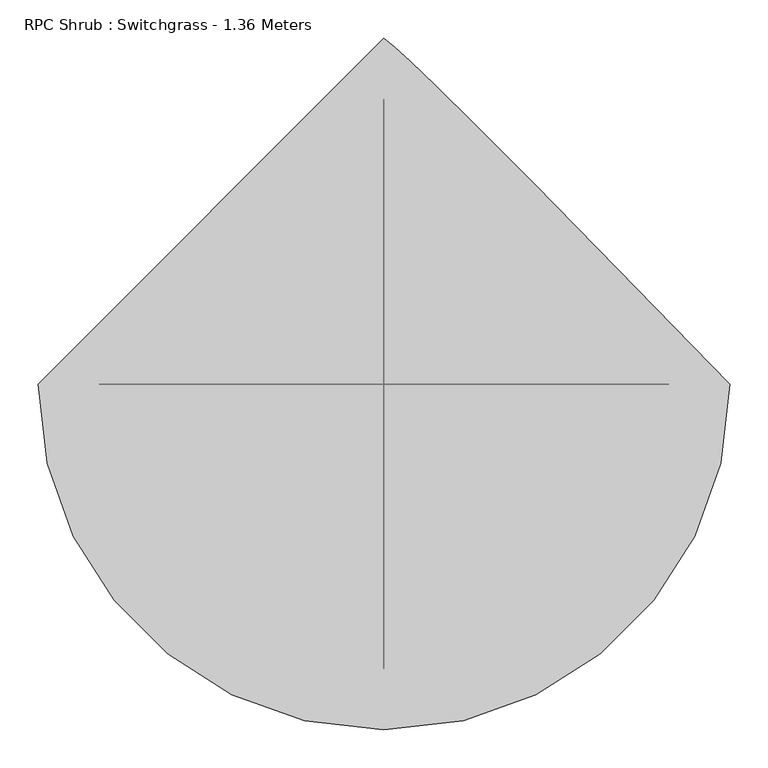
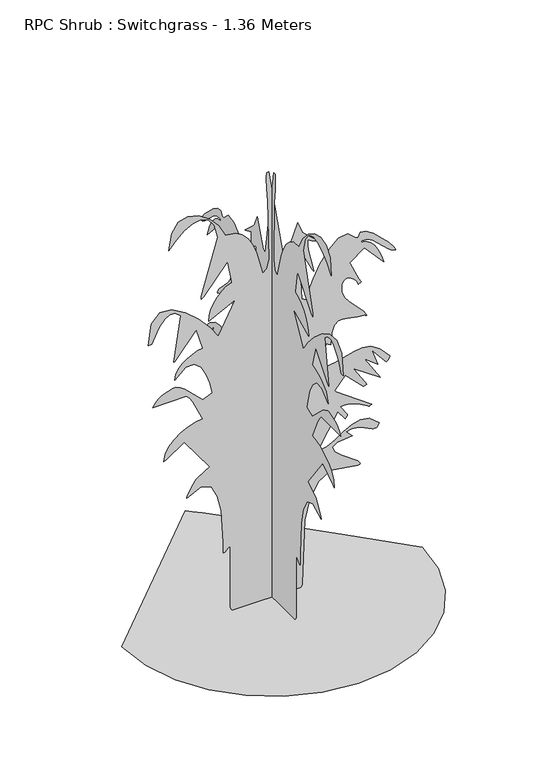
"""IFC4 building model written with IfcOpenShell, lengths in millimetres: geographic element geometry, RPC Shrub : Switchgrass - 1.36 Meters."""

from ifc_helpers import new_model, si_unit, origin, place, context, project, spatial, triangles, source, transform, mapped, element, save


def rpc_shrub_switchgrass_1_36_meters_f73d88c2(model_context):
    return source(origin(), model_context, "Body", "Tessellation", [
        triangles([(-453.665332, 0.0, 5.67e-05), (-441.6721324, -103.9499868, 5.67e-05), (-407.5134979, -199.411302, 5.67e-05), (-353.9295593, -283.6503825, 5.67e-05), (-283.6503825, -353.9295593, 5.67e-05), (-199.411302, -407.5134979, 5.67e-05), (-103.9499868, -441.6721324, 5.67e-05), (1.98e-05, -453.665332, 5.67e-05), (103.9499868, -441.6721324, 5.67e-05), (199.4115563, -407.5134979, 5.67e-05), (283.6503825, -353.9295593, 5.67e-05), (353.9295593, -283.6503825, 5.67e-05), (407.5134979, -199.411302, 5.67e-05), (441.6721324, -103.9499868, 5.67e-05), (453.665332, 3.97e-05, 5.67e-05), (306.2339241, 151.2280694, 5.67e-05), (196.9358535, 262.570401, 5.67e-05), (119.4154309, 340.6746271, 5.67e-05), (67.3171619, 392.1883432, 5.67e-05), (34.2855662, 423.7604713, 5.67e-05), (13.964969, 442.0373354, 5.67e-05), (-5.95e-05, 453.665332, 5.67e-05), (34.6374025, 5.5e-06, 1079.2520742), (35.9309123, 5.5e-06, 1079.3881124), (37.632925, 5.4e-06, 1079.7558226), (39.5522869, 5.4e-06, 1080.2922724), (41.4975897, 5.4e-06, 1080.9370005), (43.2774229, 5.3e-06, 1081.6270746), (44.7003829, 5.3e-06, 1082.3020334), (45.5755702, 5.3e-06, 1082.898872), (78.3898191, 3e-07, 1166.7579248), (92.9740397, 2.4e-06, 1130.2973597), (140.3727636, 5e-06, 1086.5457424), (138.7745145, 4.9e-06, 1086.9990578), (119.2922825, 3.5e-06, 1095.6249847), (108.5253706, 2.7e-06, 1102.125242), (107.8519197, 3.8e-06, 1085.674284), (109.1844692, 4.9e-06, 1070.4196918), (123.0607389, 9.4e-06, 1011.8263933), (125.7885429, 1.05e-05, 995.3930941), (122.9796392, 1.02e-05, 999.3672701), (89.3279868, 6.1e-06, 1068.3141518), (82.035872, 6.1e-06, 1068.3141518), (89.3279868, 1.5e-05, 918.8276367), (90.8234806, 1.51e-05, 918.4901573), (93.0463191, 1.51e-05, 917.6011127), (95.6779172, 1.52e-05, 916.3519884), (98.3991719, 1.53e-05, 914.9315083), (100.8912436, 1.53e-05, 913.5286869), (102.8352928, 1.54e-05, 912.3349371), (103.9122075, 1.55e-05, 911.5340412), (109.42448, 1.4e-05, 936.2230865), (124.3202459, 1.18e-05, 972.8649633), (146.1379004, 9.4e-06, 1013.5188046), (172.4163473, 7.2e-06, 1050.2362581), (200.6937455, 5.7e-06, 1075.0813986), (228.5087265, 5.4e-06, 1080.1084173), (253.4004848, 6.8e-06, 1057.3762293), (260.6915913, 6.8e-06, 1057.3762293), (267.0735055, 6e-06, 1071.1096933), (283.5017906, 6.3e-06, 1068.1605274), (305.9014589, 7.4e-06, 1053.4977596), (352.3177028, 1.02e-05, 1008.9275877), (368.1818507, 1.12e-05, 988.9582397), (373.7200665, 1.16e-05, 977.1640469), (363.2380028, 1.12e-05, 979.2972015), (350.3331219, 1.06e-05, 989.0312731), (303.4182166, 8.1e-06, 1032.7149439), (287.1536389, 7.7e-06, 1041.731254), (271.6294956, 7.6e-06, 1042.7915091), (267.985205, 7.9e-06, 1039.1472548), (283.6428248, 8.1e-06, 1035.835393), (297.4745205, 8.6e-06, 1026.9198761), (309.4198488, 9.4e-06, 1013.9268465), (319.4284312, 1.03e-05, 998.3749615), (327.4423316, 1.13e-05, 981.7955956), (333.4036683, 1.22e-05, 965.7098042), (337.2595013, 1.31e-05, 951.6414042), (278.9231275, 9.2e-06, 1017.2714098), (235.1699478, 1.11e-05, 984.4551716), (235.8839486, 1.13e-05, 981.2994776), (262.4696623, 1.51e-05, 923.1972828), (269.0026937, 1.58e-05, 911.5844015), (259.9838765, 1.57e-05, 908.0534397), (255.3447701, 1.5e-05, 917.9537075), (248.2370281, 1.44e-05, 926.8818689), (239.6675112, 1.4e-05, 933.8556438), (230.6426624, 1.38e-05, 937.8902813), (222.16887, 1.38e-05, 938.0137476), (215.2527769, 1.42e-05, 933.238603), (210.9007715, 1.48e-05, 922.5877996), (210.7972713, 1.61e-05, 900.2687405), (218.2777558, 1.73e-05, 880.9667936), (230.9642816, 1.83e-05, 863.7905165), (276.4826878, 2.12e-05, 816.0948812), (286.214234, 2.22e-05, 798.5080914), (282.5674181, 2.22e-05, 798.5080914), (282.5674181, 2.2e-05, 802.1548891), (258.9160275, 2.18e-05, 804.4416681), (217.22653, 2.14e-05, 812.3070311), (200.6547036, 2.15e-05, 810.9294262), (187.9094968, 2.2e-05, 801.3741228), (179.7243133, 2.33e-05, 780.1606647), (176.8330653, 2.55e-05, 743.8160082), (162.2488356, 2.5e-05, 751.1096037), (154.9567298, 2.94e-05, 678.1884733), (189.7072068, 2.92e-05, 681.6791759), (246.4879161, 2.82e-05, 697.1302677), (271.8259408, 2.8e-05, 700.7669643), (297.3385187, 2.83e-05, 696.1253872), (324.6744773, 2.93e-05, 679.0498306), (355.4885121, 3.13e-05, 645.3747786), (355.0754923, 3.15e-05, 643.0224512), (353.95979, 3.16e-05, 640.3402748), (352.3328181, 3.18e-05, 637.5774347), (350.3860256, 3.19e-05, 634.9858778), (348.3132597, 3.21e-05, 632.8249632), (346.3060058, 3.22e-05, 631.3415508), (344.550626, 3.22e-05, 630.7900583), (300.7989542, 2.92e-05, 681.8353437), (318.9775867, 3.22e-05, 631.7219055), (279.0364563, 3.03e-05, 663.0346018), (326.3215788, 3.48e-05, 587.0383684), (246.1078703, 3.15e-05, 641.7279081), (247.6300521, 3.17e-05, 638.4613924), (279.7945314, 3.47e-05, 588.7862268), (286.214234, 3.52e-05, 579.7447366), (285.3403048, 3.53e-05, 579.543259), (276.5708364, 3.54e-05, 576.3019235), (275.2763115, 3.55e-05, 576.0979388), (220.5857363, 3.22e-05, 630.7900583), (187.771224, 3.46e-05, 590.6826591), (300.7989542, 3.94e-05, 510.4704403), (300.0660593, 3.94e-05, 510.3344384), (299.0234086, 3.94e-05, 509.9667283), (297.7968846, 3.94e-05, 509.4303148), (296.5074102, 3.95e-05, 508.7855504), (295.2808863, 3.95e-05, 508.0954762), (294.2382174, 3.96e-05, 507.4205174), (293.5053406, 3.96e-05, 506.8236425), (283.426232, 3.88e-05, 513.6110189), (256.8055095, 3.79e-05, 526.4277512), (228.3019622, 3.77e-05, 535.1292186), (215.8710713, 3.77e-05, 536.773813), (206.0015066, 3.78e-05, 535.993083), (227.8775877, 3.98e-05, 503.1793519), (227.599298, 3.99e-05, 501.4239358), (226.8505428, 4e-05, 499.4141747), (225.7610381, 4.02e-05, 497.3414088), (224.4602091, 4.03e-05, 495.3971234), (223.0775537, 4.04e-05, 493.7701515), (221.7429876, 4.04e-05, 492.6544493), (220.5857363, 4.05e-05, 492.2389223), (198.7094008, 3.87e-05, 521.4083628), (136.7267016, 4.5e-05, 415.6735013), (164.6761947, 4.47e-05, 421.3804567), (190.7292375, 4.4e-05, 435.081183), (215.795004, 4.31e-05, 451.6278474), (240.7829773, 4.24e-05, 465.885153), (266.6025496, 4.21e-05, 472.7078107), (294.1626587, 4.25e-05, 466.9580526), (324.3722792, 4.4e-05, 443.4930242), (324.2337338, 4.4e-05, 442.825623), (315.940272, 4.41e-05, 431.3840249), (315.3836926, 4.42e-05, 430.2582215), (302.2672513, 4.4e-05, 432.0791133), (290.3748085, 4.38e-05, 436.5822178), (267.4034273, 4.31e-05, 447.8173242), (254.8889295, 4.29e-05, 451.6505204), (240.7371407, 4.28e-05, 452.3556736), (224.2317892, 4.31e-05, 448.4872324), (242.4618174, 4.42e-05, 430.2582215), (196.631112, 4.49e-05, 425.7248863), (182.0315307, 4.69e-05, 413.8400376), (189.7779874, 4.96e-05, 397.164929), (210.986413, 5.25e-05, 378.2609593), (258.2486263, 5.7e-05, 344.0317986), (266.5320233, 5.76e-05, 333.8292964), (264.267881, 5.75e-05, 331.1949368), (258.898405, 5.75e-05, 330.5149275), (176.6512269, 5.95e-05, 343.5457091), (138.9414919, 6.11e-05, 319.5140365), (113.9296011, 6.29e-05, 272.4228338), (99.1454108, 6.48e-05, 211.1959569), (91.6966468, 6.96e-05, 12.4772317), (91.0362946, 6.97e-05, 8.2514392), (89.7634345, 6.98e-05, 4.9302218), (87.7335075, 6.99e-05, 2.3756808), (84.8009467, 6.98e-05, 0.4498951), (-117.3623403, 7.02e-05, 2.38e-05), (-121.0643037, 7.03e-05, 2.3582326), (-123.5944091, 7.04e-05, 5.1537149), (-125.1599203, 7.05e-05, 8.269018), (-125.9676018, 7.06e-05, 11.5864578), (-126.2252532, 7.06e-05, 14.9886711), (-125.9172324, 7.07e-05, 21.5768057), (-125.7885429, 5.76e-05, 204.2025248), (-128.2770811, 5.77e-05, 205.3111781), (-131.3967671, 5.78e-05, 203.6706169), (-142.029948, 5.8e-05, 193.4066721), (-145.1604619, 5.81e-05, 191.9220062), (-147.6648693, 5.83e-05, 193.2643661), (-147.5351716, 5.63e-05, 225.894006), (-153.5843935, 5.02e-05, 329.1624664), (-164.4865442, 4.72e-05, 379.5856968), (-183.7899626, 4.5e-05, 415.726405), (-213.855751, 4.43e-05, 427.4803024), (-257.0473007, 4.57e-05, 404.7355788), (-257.4200432, 4.56e-05, 406.6597346), (-255.7124803, 4.53e-05, 411.8000095), (-242.5532362, 4.38e-05, 436.9071253), (-231.5238949, 4.28e-05, 452.1340665), (-230.3260938, 4.27e-05, 454.5795568), (-226.168535, 4.25e-05, 458.4530122), (-203.5907889, 4.16e-05, 473.5162642), (-187.771224, 4.11e-05, 481.3009998), (-264.3384072, 3.48e-05, 587.0383684), (-319.0279833, 3.7e-05, 550.5778032), (-326.3215788, 3.72e-05, 546.9310055), (-322.37509, 3.59e-05, 568.7136512), (-311.5807271, 3.47e-05, 588.5343527), (-295.5050368, 3.37e-05, 605.9222085), (-275.706972, 3.28e-05, 620.4061718), (-253.7555866, 3.22e-05, 631.5153774), (-231.2143753, 3.17e-05, 638.7787422), (-209.6475595, 3.15e-05, 641.7279081), (-211.9049071, 3.1e-05, 648.2735842), (-238.9479876, 2.71e-05, 706.3505625), (-248.5180974, 2.68e-05, 720.8143599), (-258.5332201, 2.72e-05, 732.0444157), (-359.8808312, 3.09e-05, 730.7927479), (-350.9854076, 3e-05, 743.1359625), (-342.775044, 2.88e-05, 751.7065149), (-334.8467852, 2.76e-05, 757.4562366), (-326.8026177, 2.62e-05, 761.3498943), (-297.9202964, 2.21e-05, 771.4465891), (-290.6266645, 2.21e-05, 771.4465891), (-276.4952778, 2.31e-05, 764.3469498), (-264.0235827, 2.4e-05, 756.2171408), (-209.6475595, 2.79e-05, 703.711116), (-180.4791182, 2.72e-05, 714.6490385), (-188.2840015, 2.51e-05, 749.2005632), (-198.6590223, 2.32e-05, 779.7879404), (-213.8988261, 2.15e-05, 808.0557644), (-234.4166689, 2.04e-05, 825.5997517), (-260.6260975, 2.05e-05, 824.0231764), (-292.9361529, 2.22e-05, 794.9267693), (-290.1229707, 2.13e-05, 811.304694), (-282.4238585, 2.04e-05, 825.9523464), (-270.9545368, 1.97e-05, 838.7187183), (-256.8256572, 1.91e-05, 849.4400116), (-241.1577182, 1.86e-05, 857.9626745), (-225.0598818, 1.83e-05, 864.1305393), (-209.6475595, 1.81e-05, 867.7823513), (-227.877842, 1.42e-05, 933.4123569), (-293.5078477, 1.89e-05, 853.1976311), (-297.1521383, 1.89e-05, 853.1976311), (-275.3543954, 9.9e-06, 994.8415289), (-292.2208805, 9.1e-06, 1008.6404686), (-308.4224896, 9.2e-06, 1009.2398506), (-323.4806911, 9.8e-06, 1000.0447723), (-336.9220219, 1.09e-05, 984.4601858), (-348.2704571, 1.21e-05, 965.888645), (-362.782144, 1.42e-05, 933.4123569), (-373.7200665, 1.42e-05, 933.4123569), (-364.1169462, 1.03e-05, 998.5890472), (-338.8310623, 8.7e-06, 1025.6278765), (-303.1512453, 8.8e-06, 1023.1244682), (-262.3663982, 1.02e-05, 999.6770622), (-221.7623905, 1.23e-05, 963.8864416), (-186.6273258, 1.47e-05, 924.3457592), (-162.24909, 1.68e-05, 889.6581963), (-111.2043132, 1.09e-05, 988.1019693), (-191.417295, 1.33e-05, 947.9946064), (-189.5233699, 1.23e-05, 964.9517836), (-184.1611972, 1.12e-05, 982.4201941), (-175.8115615, 1.02e-05, 999.5133368), (-164.9542301, 9.3e-06, 1015.347254), (-152.0705143, 8.5e-06, 1029.035372), (-137.6396637, 7.8e-06, 1039.693733), (-122.142481, 7.4e-06, 1046.4383795), (-121.6783196, 7.3e-06, 1049.0626379), (-133.0806487, 3.3e-06, 1115.7126394), (-137.0732557, 3.3e-06, 1115.0376806), (-206.1470827, 8.4e-06, 1030.7328701), (-213.2936123, 8.7e-06, 1024.5625345), (-213.1755054, 6.5e-06, 1034.5433933), (-164.1860902, -2.1e-06, 1205.9535702), (-174.9590336, -4.6e-06, 1247.6803837), (-192.3972497, -6e-06, 1271.4223938), (-214.5438086, -6.5e-06, 1279.8744942), (-239.4408535, -6.3e-06, 1275.7189339), (-265.1317273, -5.5e-06, 1261.6530773), (-289.6570471, -4.3e-06, 1240.3590282), (-311.0618998, -2.7e-06, 1214.5316803), (-303.3048696, -5.8e-06, 1266.3853466), (-282.8822245, -7.5e-06, 1294.444099), (-254.0704112, -7.9e-06, 1302.2918758), (-221.1380463, -7.4e-06, 1293.5098537), (-188.3628303, -6e-06, 1271.6818256), (-160.0164319, -4.1e-06, 1240.3917297), (-140.3727636, -1.9e-06, 1203.21849), (-110.0649387, -1.7e-06, 1200.0275511), (-89.3209288, -1e-06, 1187.067223), (-72.3695561, 2e-07, 1168.0776117), (-58.7209615, 1.6e-06, 1144.7788158), (-47.884291, 3.1e-06, 1118.8859922), (-27.3452899, 7.6e-06, 1042.7915091), (-15.4937842, 7e-06, 1053.9435173), (-8.9178888, 5.2e-06, 1083.0902847), (-12.7611692, -6e-06, 1272.4928226), (-14.0051646, -5.9e-06, 1281.6450256), (-15.0591383, -6.2e-06, 1292.4696556), (-15.8925914, -7e-06, 1304.6366455), (-16.4746201, -8e-06, 1317.8058998), (-16.7749277, -9.2e-06, 1331.6476421), (-16.7627634, -1.03e-05, 1345.8243931), (-16.4072244, -1.13e-05, 1359.9986732), (-9.115139, -1.13e-05, 1359.9986732), (-3.13e-05, 34.6374025, 1079.2520742), (-3.13e-05, 35.9309123, 1079.3881124), (-3.13e-05, 37.632925, 1079.7558226), (-3.13e-05, 39.5522869, 1080.2947432), (-3.13e-05, 41.4975897, 1080.9370005), (-3.13e-05, 43.2774229, 1081.6295454), (-3.13e-05, 44.7006373, 1082.3020334), (-3.13e-05, 45.5755702, 1082.898872), (-3.13e-05, 78.3900644, 1166.7579248), (-3.13e-05, 92.9742941, 1130.2973597), (-3.13e-05, 140.3727636, 1086.5457424), (-3.12e-05, 138.7745145, 1086.9990578), (-3.03e-05, 119.2922825, 1095.6249847), (-2.99e-05, 108.525625, 1102.125242), (-3e-05, 107.8521741, 1085.674284), (-3.02e-05, 109.1844692, 1070.4196918), (-3.12e-05, 123.0609841, 1011.8263933), (-3.13e-05, 125.7885429, 995.3930941), (-3.13e-05, 122.9796392, 999.3672701), (-3.13e-05, 89.3282321, 1068.3141518), (-3.13e-05, 82.0361263, 1068.3141518), (-3.13e-05, 89.3282321, 918.8276367), (-3.13e-05, 90.8234806, 918.4901573), (-3.13e-05, 93.0465734, 917.6011127), (-3.13e-05, 95.6779172, 916.3519884), (-3.13e-05, 98.3994262, 914.9315083), (-3.13e-05, 100.8912436, 913.5286869), (-3.13e-05, 102.8352928, 912.3349371), (-3.13e-05, 103.9122075, 911.5340412), (-3.13e-05, 109.42448, 936.2230865), (-3.13e-05, 124.3202459, 972.8649633), (-3.13e-05, 146.1381457, 1013.5188046), (-3.13e-05, 172.4166016, 1050.2362581), (-3.13e-05, 200.6937455, 1075.0813986), (-3.13e-05, 228.5089808, 1080.1084173), (-3.13e-05, 253.4004848, 1057.3762293), (-3.13e-05, 260.6915913, 1057.3762293), (-3.14e-05, 267.0735055, 1071.1096933), (-3.15e-05, 283.5017906, 1068.1605274), (-3.17e-05, 305.9014589, 1053.4977596), (-3.18e-05, 352.3177028, 1008.9275877), (-3.17e-05, 368.1818507, 988.9582397), (-3.13e-05, 373.7200665, 977.1640469), (-3.11e-05, 363.2380028, 979.2972015), (-3.1e-05, 350.3331219, 989.0312731), (-3.12e-05, 303.4182166, 1032.7149439), (-3.13e-05, 287.1536389, 1041.731254), (-3.13e-05, 271.6294956, 1042.7915091), (-3.13e-05, 267.985205, 1039.1472548), (-3.13e-05, 283.6428248, 1035.835393), (-3.13e-05, 297.4745205, 1026.9198761), (-3.13e-05, 309.4198488, 1013.9268465), (-3.13e-05, 319.4284312, 998.3749615), (-3.13e-05, 327.4423316, 981.7955956), (-3.13e-05, 333.4036683, 965.7098042), (-3.13e-05, 337.2595013, 951.6414042), (-3.13e-05, 278.9231275, 1017.2714098), (-3.13e-05, 235.1699478, 984.4551716), (-3.13e-05, 235.8839486, 981.2994776), (-3.17e-05, 262.4696623, 923.1972828), (-3.17e-05, 269.0026937, 911.5844015), (-3.13e-05, 259.9838765, 908.0534397), (-3.12e-05, 255.3447701, 917.9537075), (-3.12e-05, 248.2370281, 926.8818689), (-3.12e-05, 239.6675112, 933.8556438), (-3.12e-05, 230.6426624, 937.8928247), (-3.13e-05, 222.1691244, 938.0137476), (-3.13e-05, 215.2527769, 933.238603), (-3.13e-05, 210.9007715, 922.5877996), (-3.13e-05, 210.7975256, 900.2687405), (-3.13e-05, 218.2780101, 880.9667936), (-3.13e-05, 230.9642816, 863.7905165), (-3.13e-05, 276.4826878, 816.0948812), (-3.13e-05, 286.214234, 798.5080914), (-3.13e-05, 282.5674181, 798.5080914), (-3.13e-05, 282.5674181, 802.1548891), (-3.13e-05, 258.9160275, 804.4416681), (-3.13e-05, 217.2267843, 812.3070311), (-3.13e-05, 200.6547036, 810.9294262), (-3.13e-05, 187.9094968, 801.3741228), (-3.13e-05, 179.7245676, 780.1606647), (-3.13e-05, 176.8333197, 743.8160082), (-3.13e-05, 162.24909, 751.1096037), (-3.13e-05, 154.9569842, 678.1884733), (-3.13e-05, 189.7072068, 681.6791759), (-3.13e-05, 246.4881705, 697.1302677), (-3.13e-05, 271.8259408, 700.7669643), (-3.13e-05, 297.3385187, 696.1253872), (-3.13e-05, 324.6744773, 679.0498306), (-3.13e-05, 355.4885121, 645.3747786), (-3.13e-05, 355.0754923, 643.0224512), (-3.13e-05, 353.95979, 640.3402748), (-3.13e-05, 352.3328181, 637.5774347), (-3.13e-05, 350.3860256, 634.9858778), (-3.13e-05, 348.3132597, 632.8249632), (-3.13e-05, 346.3060058, 631.3415508), (-3.13e-05, 344.550626, 630.7900583), (-3.13e-05, 300.7989542, 681.8353437), (-3.14e-05, 318.9775867, 631.7219055), (-3.13e-05, 279.0364563, 663.0346018), (-3.13e-05, 326.3215788, 587.0383684), (-3.13e-05, 246.1081246, 641.7279081), (-3.13e-05, 247.6300521, 638.4613924), (-3.13e-05, 279.7945314, 588.7862268), (-3.13e-05, 286.214234, 579.7447366), (-3.13e-05, 285.3403048, 579.543259), (-3.13e-05, 276.5708364, 576.3019235), (-3.13e-05, 275.2763115, 576.0979388), (-3.13e-05, 220.5857363, 630.7900583), (-3.13e-05, 187.771224, 590.6826591), (-3.13e-05, 300.7989542, 510.4704403), (-3.13e-05, 300.0660593, 510.3344384), (-3.13e-05, 299.0234086, 509.9667283), (-3.13e-05, 297.7968846, 509.4303148), (-3.13e-05, 296.5074102, 508.7855504), (-3.13e-05, 295.2808863, 508.0954762), (-3.13e-05, 294.2382174, 507.4205174), (-3.13e-05, 293.5078477, 506.8236425), (-3.09e-05, 283.426232, 513.6110189), (-3.08e-05, 256.8055095, 526.4277512), (-3.11e-05, 228.3022166, 535.1292186), (-3.12e-05, 215.8713256, 536.773813), (-3.13e-05, 206.0015066, 535.993083), (-3.13e-05, 227.877842, 503.1793519), (-3.13e-05, 227.5995523, 501.4239358), (-3.13e-05, 226.8507972, 499.4141747), (-3.13e-05, 225.7610381, 497.3414088), (-3.13e-05, 224.4602091, 495.3971234), (-3.13e-05, 223.077808, 493.7701515), (-3.13e-05, 221.7429876, 492.6544493), (-3.13e-05, 220.5857363, 492.2389223), (-3.13e-05, 198.7094008, 521.4083628), (-3.13e-05, 136.7267016, 415.6735013), (-3.13e-05, 164.6761947, 421.3829638), (-3.14e-05, 190.7292375, 435.081183), (-3.15e-05, 215.7952583, 451.6278474), (-3.17e-05, 240.7829773, 465.885153), (-3.18e-05, 266.6025496, 472.7078107), (-3.19e-05, 294.1626587, 466.9580526), (-3.19e-05, 324.3722792, 443.4930242), (-3.19e-05, 324.2337338, 442.825623), (-3.13e-05, 315.940272, 431.3840249), (-3.13e-05, 315.3836926, 430.2582215), (-3.13e-05, 302.2672513, 432.0791133), (-3.13e-05, 290.3773338, 436.5822178), (-3.13e-05, 267.4034273, 447.8173242), (-3.13e-05, 254.8889295, 451.6505204), (-3.13e-05, 240.7371407, 452.3556736), (-3.13e-05, 224.2317892, 448.4872324), (-3.13e-05, 242.4620718, 430.2582215), (-3.18e-05, 196.631112, 425.7248863), (-3.31e-05, 182.0315307, 413.8400376), (-3.48e-05, 189.7782417, 397.164929), (-3.66e-05, 210.9866674, 378.2609593), (-3.9e-05, 258.2486263, 344.0317986), (-3.9e-05, 266.5320233, 333.8292964), (-3.88e-05, 264.267881, 331.1949368), (-3.87e-05, 258.898405, 330.5149275), (-4.14e-05, 176.6512269, 343.5457091), (-4.17e-05, 138.9414919, 319.5140365), (-4.07e-05, 113.9296011, 272.4228338), (-3.89e-05, 99.1454108, 211.1959569), (-3.19e-05, 91.6966468, 12.4772067), (-3.17e-05, 91.0362946, 8.2514137), (-3.16e-05, 89.7636888, 4.9301962), (-3.15e-05, 87.7335075, 2.3756557), (-3.13e-05, 84.8009467, 0.4498699), (-3.17e-05, -117.362086, 0.0), (-3.19e-05, -121.0640584, 2.3582099), (-3.22e-05, -123.5941547, 5.1536893), (-3.25e-05, -125.159666, 8.268993), (-3.27e-05, -125.9676018, 11.5864578), (-3.3e-05, -126.2252532, 14.9886461), (-3.35e-05, -125.9172324, 21.5767807), (-3.13e-05, -125.7885429, 204.2025248), (-3.15e-05, -128.2768358, 205.3109237), (-3.14e-05, -131.3967671, 203.6706169), (-3.1e-05, -142.029948, 193.4066721), (-3.11e-05, -145.1604619, 191.9220062), (-3.13e-05, -147.6646241, 193.2643661), (-3.13e-05, -147.5351716, 225.894006), (-3.13e-05, -153.5841392, 329.1624664), (-3.13e-05, -164.4865442, 379.5856968), (-3.13e-05, -183.7897083, 415.7289122), (-3.13e-05, -213.855751, 427.4803024), (-3.13e-05, -257.0473007, 404.7355788), (-3.13e-05, -257.4200432, 406.6597346), (-3.13e-05, -255.7124803, 411.8000095), (-3.13e-05, -242.5529819, 436.9071253), (-3.13e-05, -231.5236406, 452.1340665), (-3.13e-05, -230.3260938, 454.5795568), (-3.13e-05, -226.168535, 458.4555193), (-3.13e-05, -203.5907889, 473.5162642), (-3.13e-05, -187.771224, 481.3009998), (-3.13e-05, -264.3384072, 587.0383684), (-3.13e-05, -319.0279833, 550.5778032), (-3.13e-05, -326.3215788, 546.9310055), (-3.13e-05, -322.37509, 568.7136512), (-3.13e-05, -311.5807271, 588.5343527), (-3.13e-05, -295.5025115, 605.9222085), (-3.13e-05, -275.706972, 620.4061718), (-3.13e-05, -253.7555866, 631.5153774), (-3.13e-05, -231.214121, 638.7787422), (-3.13e-05, -209.6475595, 641.7279081), (-3.12e-05, -211.9049071, 648.2735842), (-3.07e-05, -238.9477332, 706.3505625), (-3.13e-05, -248.5180974, 720.8143599), (-3.23e-05, -258.5332201, 732.0444157), (-3.6e-05, -359.8808312, 730.7927479), (-3.57e-05, -350.9829005, 743.1359625), (-3.51e-05, -342.775044, 751.7065149), (-3.42e-05, -334.8467852, 757.4562366), (-3.31e-05, -326.8026177, 761.3498943), (-2.96e-05, -297.9202964, 771.4465891), (-2.96e-05, -290.6266645, 771.4465891), (-3.01e-05, -276.4952778, 764.3469498), (-3.05e-05, -264.0210574, 756.2171408), (-3.13e-05, -209.6475595, 703.711116), (-3.13e-05, -180.4791182, 714.6490385), (-3.13e-05, -188.2840015, 749.2005632), (-3.12e-05, -198.658768, 779.7879404), (-3.12e-05, -213.8988261, 808.0557644), (-3.11e-05, -234.4166689, 825.5997517), (-3.11e-05, -260.6235904, 824.0231764), (-3.11e-05, -292.9361529, 794.9267693), (-3.11e-05, -290.1229707, 811.304694), (-3.11e-05, -282.4238585, 825.9523464), (-3.12e-05, -270.9545368, 838.7187183), (-3.12e-05, -256.8256572, 849.4400116), (-3.13e-05, -241.1577182, 857.9626745), (-3.13e-05, -225.0598818, 864.1305393), (-3.13e-05, -209.6475595, 867.7823513), (-3.13e-05, -227.8775877, 933.4123569), (-3.13e-05, -293.5053406, 853.1976311), (-3.13e-05, -297.1521383, 853.1976311), (-3.07e-05, -275.3543954, 994.8415289), (-3.08e-05, -292.2208805, 1008.6404686), (-3.08e-05, -308.4224896, 1009.2398506), (-3.09e-05, -323.4806911, 1000.0447723), (-3.11e-05, -336.9220219, 984.4601858), (-3.12e-05, -348.26795, 965.888645), (-3.13e-05, -362.782144, 933.4123569), (-3.13e-05, -373.7200665, 933.4123569), (-3.13e-05, -364.1169462, 998.5890472), (-3.13e-05, -338.8310623, 1025.6278765), (-3.13e-05, -303.1512453, 1023.1244682), (-3.13e-05, -262.3663982, 999.6770622), (-3.13e-05, -221.7623905, 963.8864416), (-3.13e-05, -186.6273258, 924.3457592), (-3.13e-05, -162.2488356, 889.6581963), (-3.13e-05, -111.2043132, 988.1019693), (-3.13e-05, -191.417295, 947.9946064), (-3.13e-05, -189.5231156, 964.9517836), (-3.13e-05, -184.1609429, 982.4201941), (-3.13e-05, -175.8113072, 999.5133368), (-3.13e-05, -164.9542301, 1015.347254), (-3.13e-05, -152.07026, 1029.035372), (-3.13e-05, -137.6394184, 1039.693733), (-3.13e-05, -122.142481, 1046.4383795), (-3.13e-05, -121.6780653, 1049.0626379), (-3.13e-05, -133.0806487, 1115.7126394), (-3.13e-05, -137.0732557, 1115.0376806), (-3.13e-05, -206.1470827, 1030.7328701), (-3.13e-05, -213.2936123, 1024.5625345), (-2.97e-05, -213.1752511, 1034.5433933), (-3.13e-05, -164.1860902, 1205.9535702), (-3.13e-05, -174.9587793, 1247.6803837), (-3.13e-05, -192.3972497, 1271.4223938), (-3.12e-05, -214.5438086, 1279.8744942), (-3.12e-05, -239.4405992, 1275.7189339), (-3.12e-05, -265.1317273, 1261.6530773), (-3.12e-05, -289.6570471, 1240.3590282), (-3.11e-05, -311.0618998, 1214.5316803), (-3.12e-05, -303.3048696, 1266.3853466), (-3.12e-05, -282.8822245, 1294.444099), (-3.12e-05, -254.0678859, 1302.2918758), (-3.12e-05, -221.1380463, 1293.5098537), (-3.13e-05, -188.3628303, 1271.6818256), (-3.13e-05, -160.0164319, 1240.3917297), (-3.13e-05, -140.3727636, 1203.21849), (-3.13e-05, -110.0649387, 1200.0275511), (-3.13e-05, -89.3206835, 1187.067223), (-3.13e-05, -72.3693063, 1168.0801552), (-3.13e-05, -58.7207117, 1144.7788158), (-3.13e-05, -47.884291, 1118.8859922), (-3.13e-05, -27.3452899, 1042.7915091), (-3.13e-05, -15.4936582, 1053.9435173), (-3.13e-05, -8.9177878, 1083.0902847), (-3.13e-05, -12.7610432, 1272.4928226), (-3.2e-05, -14.0050647, 1281.6450256), (-3.23e-05, -15.0590134, 1292.4696556), (-3.23e-05, -15.8924904, 1304.6366455), (-3.2e-05, -16.474519, 1317.8058998), (-3.17e-05, -16.7748277, 1331.6476421), (-3.14e-05, -16.7626635, 1345.8243931), (-3.13e-05, -16.4071244, 1359.9986732), (-3.13e-05, -9.115013, 1359.9986732)], [[21, 22, 1], [20, 21, 1], [19, 20, 1], [18, 19, 1], [17, 18, 1], [17, 1, 2], [17, 2, 3], [17, 3, 4], [16, 17, 4], [16, 4, 5], [16, 5, 6], [16, 6, 7], [16, 7, 8], [16, 8, 9], [16, 9, 10], [16, 10, 11], [16, 11, 12], [15, 16, 12], [14, 15, 12], [13, 14, 12], [122, 123, 124], [39, 40, 41], [77, 78, 79], [76, 77, 79], [32, 33, 34], [32, 34, 35], [32, 35, 36], [75, 76, 79], [294, 295, 296], [120, 121, 122], [74, 75, 79], [246, 247, 248], [246, 248, 249], [73, 74, 79], [30, 31, 32], [132, 133, 134], [285, 286, 287], [171, 172, 173], [246, 249, 250], [218, 219, 220], [64, 65, 66], [230, 231, 232], [230, 232, 233], [230, 233, 234], [230, 234, 235], [132, 134, 135], [230, 235, 236], [230, 236, 237], [230, 237, 238], [230, 238, 239], [273, 274, 275], [273, 275, 276], [273, 276, 277], [132, 135, 136], [72, 73, 79], [132, 136, 137], [273, 277, 278], [132, 137, 138], [217, 218, 220], [217, 220, 221], [217, 221, 222], [217, 222, 223], [126, 127, 128], [103, 104, 105], [229, 230, 239], [229, 239, 240], [132, 138, 139], [207, 208, 209], [207, 209, 210], [207, 210, 211], [273, 278, 279], [30, 32, 36], [30, 36, 37], [228, 229, 240], [293, 294, 296], [293, 296, 297], [293, 297, 298], [292, 293, 298], [292, 298, 299], [291, 292, 299], [291, 299, 300], [290, 291, 300], [289, 290, 300], [289, 300, 301], [288, 289, 301], [288, 301, 302], [132, 139, 140], [132, 140, 141], [132, 141, 142], [132, 142, 143], [132, 143, 144], [132, 144, 145], [64, 66, 67], [63, 64, 67], [256, 257, 258], [255, 256, 258], [273, 279, 280], [264, 265, 266], [263, 264, 266], [262, 263, 266], [262, 266, 267], [261, 262, 267], [261, 267, 268], [260, 261, 268], [259, 260, 268], [259, 268, 269], [258, 259, 269], [255, 258, 269], [255, 269, 270], [255, 270, 271], [254, 255, 271], [254, 271, 272], [82, 83, 84], [82, 84, 85], [273, 280, 281], [71, 72, 79], [63, 67, 68], [62, 63, 68], [62, 68, 69], [61, 62, 69], [61, 69, 70], [60, 61, 70], [59, 60, 70], [207, 211, 212], [96, 97, 98], [95, 96, 98], [95, 98, 99], [317, 318, 319], [317, 319, 23], [316, 317, 23], [315, 316, 23], [314, 315, 23], [313, 314, 23], [312, 313, 23], [311, 312, 23], [310, 311, 23], [246, 250, 251], [245, 246, 251], [245, 251, 252], [82, 85, 86], [82, 86, 87], [81, 82, 87], [30, 37, 38], [95, 99, 100], [39, 41, 42], [38, 39, 42], [30, 38, 42], [30, 42, 43], [81, 87, 88], [94, 95, 100], [309, 310, 23], [227, 228, 240], [217, 223, 224], [59, 70, 71], [245, 252, 253], [177, 178, 179], [177, 179, 180], [177, 180, 181], [176, 177, 181], [175, 176, 181], [71, 79, 80], [284, 285, 287], [284, 287, 288], [284, 288, 302], [284, 302, 303], [283, 284, 303], [283, 303, 304], [283, 304, 305], [283, 305, 306], [283, 306, 307], [282, 283, 307], [282, 307, 308], [281, 282, 308], [273, 281, 308], [152, 153, 154], [151, 152, 154], [150, 151, 154], [149, 150, 154], [148, 149, 154], [147, 148, 154], [146, 147, 154], [145, 146, 154], [164, 165, 166], [94, 100, 101], [58, 59, 71], [58, 71, 80], [118, 119, 120], [117, 118, 120], [116, 117, 120], [115, 116, 120], [114, 115, 120], [113, 114, 120], [112, 113, 120], [111, 112, 120], [110, 111, 120], [93, 94, 101], [109, 110, 120], [109, 120, 122], [108, 109, 122], [108, 122, 124], [107, 108, 124], [126, 128, 129], [126, 129, 130], [125, 126, 130], [125, 130, 131], [124, 125, 131], [107, 124, 131], [107, 131, 132], [106, 107, 132], [30, 43, 44], [29, 30, 44], [28, 29, 44], [27, 28, 44], [26, 27, 44], [25, 26, 44], [24, 25, 44], [23, 24, 44], [309, 23, 44], [308, 309, 44], [273, 308, 44], [272, 273, 44], [161, 162, 163], [161, 163, 164], [161, 164, 166], [161, 166, 167], [160, 161, 167], [160, 167, 168], [160, 168, 169], [159, 160, 169], [159, 169, 170], [158, 159, 170], [158, 170, 171], [158, 171, 173], [157, 158, 173], [156, 157, 173], [156, 173, 174], [81, 88, 89], [244, 245, 253], [244, 253, 254], [201, 202, 203], [200, 201, 203], [199, 200, 203], [198, 199, 203], [207, 212, 213], [207, 213, 214], [206, 207, 214], [206, 214, 215], [206, 215, 216], [57, 58, 80], [56, 57, 80], [55, 56, 80], [54, 55, 80], [53, 54, 80], [53, 80, 81], [53, 81, 89], [53, 89, 90], [52, 53, 90], [52, 90, 91], [51, 52, 91], [51, 91, 92], [51, 92, 93], [51, 93, 101], [51, 101, 102], [244, 254, 272], [243, 244, 272], [243, 272, 44], [242, 243, 44], [241, 242, 44], [217, 224, 225], [216, 217, 225], [216, 225, 226], [51, 102, 103], [51, 103, 105], [241, 44, 45], [241, 45, 46], [241, 46, 47], [241, 47, 48], [241, 48, 49], [241, 49, 50], [241, 50, 51], [241, 51, 105], [241, 105, 106], [241, 106, 132], [241, 132, 145], [241, 145, 154], [241, 154, 155], [240, 241, 155], [227, 240, 155], [226, 227, 155], [216, 226, 155], [206, 216, 155], [205, 206, 155], [204, 205, 155], [203, 204, 155], [198, 203, 155], [197, 198, 155], [175, 181, 182], [174, 175, 182], [156, 174, 182], [155, 156, 182], [197, 155, 182], [197, 182, 183], [197, 183, 184], [196, 197, 184], [196, 184, 185], [196, 185, 186], [196, 186, 187], [196, 187, 188], [196, 188, 189], [196, 189, 190], [195, 196, 190], [194, 195, 190], [194, 190, 191], [194, 191, 192], [194, 192, 193], [419, 420, 421], [336, 337, 338], [374, 375, 376], [373, 374, 376], [329, 330, 331], [329, 331, 332], [329, 332, 333], [372, 373, 376], [591, 592, 593], [417, 418, 419], [371, 372, 376], [543, 544, 545], [543, 545, 546], [370, 371, 376], [327, 328, 329], [429, 430, 431], [582, 583, 584], [468, 469, 470], [543, 546, 547], [515, 516, 517], [361, 362, 363], [527, 528, 529], [527, 529, 530], [527, 530, 531], [527, 531, 532], [429, 431, 432], [527, 532, 533], [527, 533, 534], [527, 534, 535], [527, 535, 536], [570, 571, 572], [570, 572, 573], [570, 573, 574], [429, 432, 433], [369, 370, 376], [429, 433, 434], [570, 574, 575], [429, 434, 435], [514, 515, 517], [514, 517, 518], [514, 518, 519], [514, 519, 520], [423, 424, 425], [400, 401, 402], [526, 527, 536], [526, 536, 537], [429, 435, 436], [504, 505, 506], [504, 506, 507], [504, 507, 508], [570, 575, 576], [327, 329, 333], [327, 333, 334], [525, 526, 537], [590, 591, 593], [590, 593, 594], [590, 594, 595], [589, 590, 595], [589, 595, 596], [588, 589, 596], [588, 596, 597], [587, 588, 597], [586, 587, 597], [586, 597, 598], [585, 586, 598], [585, 598, 599], [429, 436, 437], [429, 437, 438], [429, 438, 439], [429, 439, 440], [429, 440, 441], [429, 441, 442], [361, 363, 364], [360, 361, 364], [553, 554, 555], [552, 553, 555], [570, 576, 577], [561, 562, 563], [560, 561, 563], [559, 560, 563], [559, 563, 564], [558, 559, 564], [558, 564, 565], [557, 558, 565], [556, 557, 565], [556, 565, 566], [555, 556, 566], [552, 555, 566], [552, 566, 567], [552, 567, 568], [551, 552, 568], [551, 568, 569], [379, 380, 381], [379, 381, 382], [570, 577, 578], [368, 369, 376], [360, 364, 365], [359, 360, 365], [359, 365, 366], [358, 359, 366], [358, 366, 367], [357, 358, 367], [356, 357, 367], [504, 508, 509], [393, 394, 395], [392, 393, 395], [392, 395, 396], [614, 615, 616], [614, 616, 320], [613, 614, 320], [612, 613, 320], [611, 612, 320], [610, 611, 320], [609, 610, 320], [608, 609, 320], [607, 608, 320], [543, 547, 548], [542, 543, 548], [542, 548, 549], [379, 382, 383], [379, 383, 384], [378, 379, 384], [327, 334, 335], [392, 396, 397], [336, 338, 339], [335, 336, 339], [327, 335, 339], [327, 339, 340], [378, 384, 385], [391, 392, 397], [606, 607, 320], [524, 525, 537], [514, 520, 521], [356, 367, 368], [542, 549, 550], [474, 475, 476], [474, 476, 477], [474, 477, 478], [473, 474, 478], [472, 473, 478], [368, 376, 377], [581, 582, 584], [581, 584, 585], [581, 585, 599], [581, 599, 600], [580, 581, 600], [580, 600, 601], [580, 601, 602], [580, 602, 603], [580, 603, 604], [579, 580, 604], [579, 604, 605], [578, 579, 605], [570, 578, 605], [449, 450, 451], [448, 449, 451], [447, 448, 451], [446, 447, 451], [445, 446, 451], [444, 445, 451], [443, 444, 451], [442, 443, 451], [461, 462, 463], [391, 397, 398], [355, 356, 368], [355, 368, 377], [415, 416, 417], [414, 415, 417], [413, 414, 417], [412, 413, 417], [411, 412, 417], [410, 411, 417], [409, 410, 417], [408, 409, 417], [407, 408, 417], [390, 391, 398], [406, 407, 417], [406, 417, 419], [405, 406, 419], [405, 419, 421], [404, 405, 421], [423, 425, 426], [423, 426, 427], [422, 423, 427], [422, 427, 428], [421, 422, 428], [404, 421, 428], [404, 428, 429], [403, 404, 429], [327, 340, 341], [326, 327, 341], [325, 326, 341], [324, 325, 341], [323, 324, 341], [322, 323, 341], [321, 322, 341], [320, 321, 341], [606, 320, 341], [605, 606, 341], [570, 605, 341], [569, 570, 341], [458, 459, 460], [458, 460, 461], [458, 461, 463], [458, 463, 464], [457, 458, 464], [457, 464, 465], [457, 465, 466], [456, 457, 466], [456, 466, 467], [455, 456, 467], [455, 467, 468], [455, 468, 470], [454, 455, 470], [453, 454, 470], [453, 470, 471], [378, 385, 386], [541, 542, 550], [541, 550, 551], [498, 499, 500], [497, 498, 500], [496, 497, 500], [495, 496, 500], [504, 509, 510], [504, 510, 511], [503, 504, 511], [503, 511, 512], [503, 512, 513], [354, 355, 377], [353, 354, 377], [352, 353, 377], [351, 352, 377], [350, 351, 377], [350, 377, 378], [350, 378, 386], [350, 386, 387], [349, 350, 387], [349, 387, 388], [348, 349, 388], [348, 388, 389], [348, 389, 390], [348, 390, 398], [348, 398, 399], [541, 551, 569], [540, 541, 569], [540, 569, 341], [539, 540, 341], [538, 539, 341], [514, 521, 522], [513, 514, 522], [513, 522, 523], [348, 399, 400], [348, 400, 402], [538, 341, 342], [538, 342, 343], [538, 343, 344], [538, 344, 345], [538, 345, 346], [538, 346, 347], [538, 347, 348], [538, 348, 402], [538, 402, 403], [538, 403, 429], [538, 429, 442], [538, 442, 451], [538, 451, 452], [537, 538, 452], [524, 537, 452], [523, 524, 452], [513, 523, 452], [503, 513, 452], [502, 503, 452], [501, 502, 452], [500, 501, 452], [495, 500, 452], [494, 495, 452], [472, 478, 479], [471, 472, 479], [453, 471, 479], [452, 453, 479], [494, 452, 479], [494, 479, 480], [494, 480, 481], [493, 494, 481], [493, 481, 482], [493, 482, 483], [493, 483, 484], [493, 484, 485], [493, 485, 486], [493, 486, 487], [492, 493, 487], [491, 492, 487], [491, 487, 488], [491, 488, 489], [491, 489, 490]], closed=False),
    ])


if __name__ == "__main__":
    model = new_model("IFC4")
    model_context = context("Model", 3, world=origin())
    ifc_project = project(units=[si_unit("LENGTHUNIT", "METRE", prefix="MILLI")], contexts=[model_context])
    site = spatial("IfcSite", under=ifc_project)
    building = spatial("IfcBuilding", under=site)
    placement = place(None, origin())
    rpc_shrub_switchgrass_1_36_meters_shape = rpc_shrub_switchgrass_1_36_meters_f73d88c2(model_context)
    element("IfcGeographicElement", 1, ObjectType="RPC Shrub : Switchgrass - 1.36 Meters", at=placement, inside=building, context=model_context, shape_type="MappedRepresentation", body=[
        mapped(rpc_shrub_switchgrass_1_36_meters_shape, transform((0.0, 0.0, 0.0), x_axis=(1.0, 0.0, 0.0), y_axis=(0.0, 1.0, 0.0), z_axis=(0.0, 0.0, 1.0))),
    ])
    save(model, "model.ifc")
